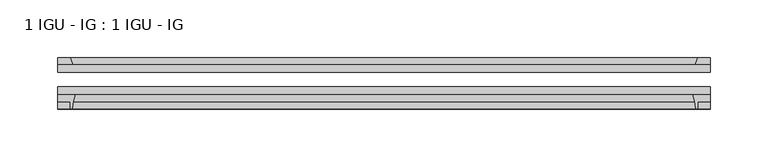
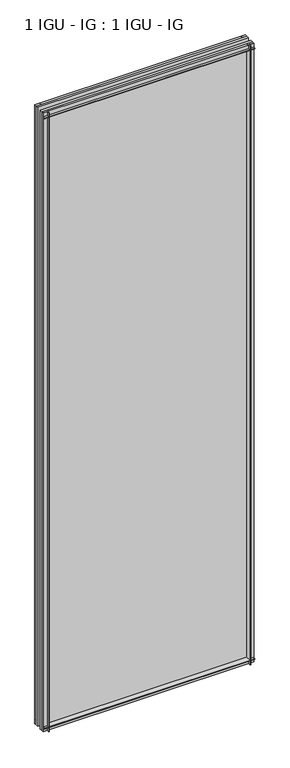
"""IFC4 building model written with IfcOpenShell, lengths in millimetres: plate geometry, 1 IGU - IG : 1 IGU - IG."""

from ifc_helpers import new_model, si_unit, point, frame, frame_2d, origin, place, context, project, spatial, polyline, circle_curve, trimmed, segment, composite_curve, outline, extrude, source, transform, mapped, element, save


def plate_1_igu_ig_1_igu_ig_eae79a12(model_context):
    return source(origin(), model_context, "Body", "SweptSolid", [
        extrude(outline(polyline([(264.0062375, -31.75), (264.0062375, -38.1), (-302.1062375, -38.1), (-302.1062375, -31.75), (264.0062375, -31.75)])), frame((0.0, 0.0, -11.1125), z_axis=(0.0, 0.0, 1.0), x_axis=(1.0, 0.0, 0.0)), (0.0, 0.0, 1.0), 1755.775),
        extrude(outline(polyline([(-302.1062375, -12.7), (264.0062375, -12.7), (264.0062375, -19.05), (-302.1062375, -19.05), (-302.1062375, -12.7)])), frame((0.0, 0.0, -11.1125), z_axis=(0.0, 0.0, 1.0), x_axis=(1.0, 0.0, 0.0)), (0.0, 0.0, 1.0), 1755.775),
        extrude(outline(composite_curve([segment(polyline([(-302.1062375, -38.1), (-286.8125582, -38.1)]), True, "CONTINUOUS"), segment(trimmed(circle_curve(frame_2d((-243.5535419, -53.3794536)), 45.8781451), [point((-286.8125582, -38.1))], [point((-289.3137947, -50.0925922))], True, "CARTESIAN"), True, "CONTINUOUS"), segment(trimmed(circle_curve(frame_2d((-290.0738366, -50.038)), 0.762), [point((-289.3137947, -50.0925922))], [point((-290.0738366, -50.8))], False, "CARTESIAN"), True, "CONTINUOUS"), segment(polyline([(-290.0738366, -50.8), (-290.9937375, -50.8), (-290.9937375, -44.45), (-302.1062375, -44.45), (-302.1062375, -38.1)]), True, "CONTINUOUS")], self_intersect=False)), frame((0.0, 0.0, -11.1125), z_axis=(0.0, 0.0, 1.0), x_axis=(1.0, 0.0, 0.0)), (0.0, 0.0, 1.0), 1755.775),
        extrude(outline(polyline([(-288.8884604, -12.7), (-302.1062375, -12.7), (-302.1062375, -6.35), (-290.9937375, -6.35), (-288.8884604, -12.7)])), frame((0.0, 0.0, -11.1125), z_axis=(0.0, 0.0, 1.0), x_axis=(1.0, 0.0, 0.0)), (0.0, 0.0, 1.0), 1755.775),
        extrude(outline(polyline([(264.0062375, -12.7), (250.7884604, -12.7), (252.8937375, -6.35), (264.0062375, -6.35), (264.0062375, -12.7)])), frame((0.0, 0.0, -11.1125), z_axis=(0.0, 0.0, 1.0), x_axis=(1.0, 0.0, 0.0)), (0.0, 0.0, 1.0), 1755.775),
        extrude(outline(composite_curve([segment(polyline([(248.7125582, -38.1), (264.0062375, -38.1), (264.0062375, -44.45), (252.8937375, -44.45), (252.8937375, -50.8), (251.9738366, -50.8)]), True, "CONTINUOUS"), segment(trimmed(circle_curve(frame_2d((251.9738366, -50.038)), 0.762), [point((251.9738366, -50.8))], [point((251.2137947, -50.0925922))], False, "CARTESIAN"), True, "CONTINUOUS"), segment(trimmed(circle_curve(frame_2d((205.4535419, -53.3794536)), 45.8781451), [point((251.2137947, -50.0925922))], [point((248.7125582, -38.1))], True, "CARTESIAN"), True, "CONTINUOUS")], self_intersect=False)), frame((0.0, 0.0, -11.1125), z_axis=(0.0, 0.0, 1.0), x_axis=(1.0, 0.0, 0.0)), (0.0, 0.0, 1.0), 1755.775),
        extrude(outline(polyline([(-12.7, -11.1125), (-12.7, 2.1052771), (-6.35, 0.0), (-6.35, -11.1125), (-12.7, -11.1125)])), frame((-302.1062375, 0.0, 0.0), z_axis=(1.0, 0.0, 0.0), x_axis=(0.0, 1.0, 0.0)), (0.0, 0.0, 1.0), 566.1124749),
        extrude(outline(composite_curve([segment(polyline([(-38.1, 4.1811793), (-38.1, -11.1125), (-44.45, -11.1125), (-44.45, 0.0), (-50.8, 0.0), (-50.8, 0.9199009)]), True, "CONTINUOUS"), segment(trimmed(circle_curve(frame_2d((-50.038, 0.9199009)), 0.762), [point((-50.8, 0.9199009))], [point((-50.0925922, 1.6799428))], False, "CARTESIAN"), True, "CONTINUOUS"), segment(trimmed(circle_curve(frame_2d((-53.3794536, 47.4401956)), 45.8781451), [point((-50.0925922, 1.6799428))], [point((-38.1, 4.1811793))], True, "CARTESIAN"), True, "CONTINUOUS")], self_intersect=False)), frame((-302.1062375, 0.0, 0.0), z_axis=(1.0, 0.0, 0.0), x_axis=(0.0, 1.0, 0.0)), (0.0, 0.0, 1.0), 566.1124749),
        extrude(outline(polyline([(-6.35, 1733.55), (-12.7, 1731.4447229), (-12.7, 1744.6625), (-6.35, 1744.6625), (-6.35, 1733.55)])), frame((-302.1062375, 0.0, 0.0), z_axis=(1.0, 0.0, 0.0), x_axis=(0.0, 1.0, 0.0)), (0.0, 0.0, 1.0), 566.1124749),
        extrude(outline(composite_curve([segment(polyline([(-38.1, 1744.6625), (-38.1, 1729.3688207)]), True, "CONTINUOUS"), segment(trimmed(circle_curve(frame_2d((-53.3794536, 1686.1098044)), 45.8781451), [point((-38.1, 1729.3688207))], [point((-50.0925922, 1731.8700572))], True, "CARTESIAN"), True, "CONTINUOUS"), segment(trimmed(circle_curve(frame_2d((-50.038, 1732.6300991)), 0.762), [point((-50.0925922, 1731.8700572))], [point((-50.8, 1732.6300991))], False, "CARTESIAN"), True, "CONTINUOUS"), segment(polyline([(-50.8, 1732.6300991), (-50.8, 1733.55), (-44.45, 1733.55), (-44.45, 1744.6625), (-38.1, 1744.6625)]), True, "CONTINUOUS")], self_intersect=False)), frame((-302.1062375, 0.0, 0.0), z_axis=(1.0, 0.0, 0.0), x_axis=(0.0, 1.0, 0.0)), (0.0, 0.0, 1.0), 566.1124749),
    ])


if __name__ == "__main__":
    model = new_model("IFC4")
    model_context = context("Model", 3, world=origin())
    ifc_project = project(units=[si_unit("LENGTHUNIT", "METRE", prefix="MILLI")], contexts=[model_context])
    site = spatial("IfcSite", under=ifc_project)
    building = spatial("IfcBuilding", under=site)
    placement = place(None, origin())
    plate_1_igu_ig_1_igu_ig_shape = plate_1_igu_ig_1_igu_ig_eae79a12(model_context)
    element("IfcPlate", 1, ObjectType="1 IGU - IG : 1 IGU - IG", at=placement, inside=building, context=model_context, shape_type="MappedRepresentation", body=[
        mapped(plate_1_igu_ig_1_igu_ig_shape, transform((0.0, 0.0, 0.0), x_axis=(1.0, 0.0, 0.0), y_axis=(0.0, 1.0, 0.0), z_axis=(0.0, 0.0, 1.0))),
    ])
    save(model, "model.ifc")
